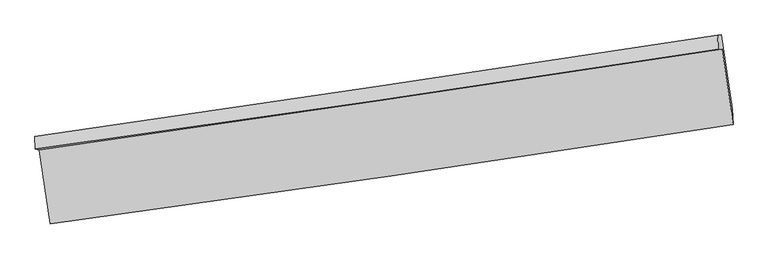
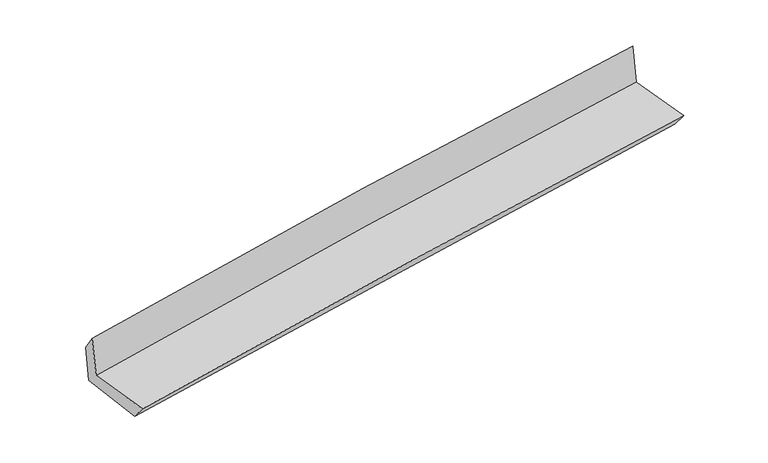
"""IFC4 building model written with IfcOpenShell, lengths in millimetres: proxy geometry."""

from ifc_helpers import new_model, si_unit, frame, origin, place, context, project, spatial, source, transform, mapped, element, save
from ifc_brep_helpers import plane_surface, spline_curve, spline_surface, advanced_brep


def generic_models_fb3d3c30(model_context):
    return source(origin(), model_context, "Body", "AdvancedBrep", [
        advanced_brep(
        [(-2991.2867884, -1932.2132482, 1639.3063321), (-2897.1533503, -2577.6766607, 1644.4644739), (3038.0748452, -1714.5801249, 2162.7349615), (2942.2302542, -1054.3935699, 2152.4117372), (-3026.9531103, -1925.6945, 2041.1005975), (2908.3392771, -1055.2430521, 2546.1531796), (-3029.1517587, -1815.664112, 1879.9253182), (2903.8236706, -933.045444, 2391.1604051), (-2998.1297599, -1814.4250843, 1518.7326442), (2936.0162943, -931.7596612, 2016.3380115), (-2902.7578364, -2447.5401277, 1488.6104632), (3032.4946816, -1575.1264067, 1990.7962848)],
        [
            (0, 1),
            (1, 2, spline_curve(3, [(-2897.1533503, -2577.6766607, 1644.4644739), (-1908.782269067, -2441.823986328, 1754.126992749), (-919.997369456, -2301.973396279, 1852.14726875), (1058.412018832, -2014.274647674, 2024.904379311), (2048.036517939, -1866.4263922, 2099.640932268), (3038.0748452, -1714.5801249, 2162.7349615)], [4, 2, 4], [0.0, 9.876162750837628, 19.752444830236826])),
            (2, 3),
            (3, 0, spline_curve(3, [(2942.2302542, -1054.3935699, 2152.4117372), (1952.01950944, -1206.552561442, 2091.843924302), (962.451400222, -1355.784121626, 2018.800900616), (-1015.387598692, -1648.390610078, 1847.765463844), (-2003.658503573, -1791.76560977, 1749.773352962), (-2991.2867884, -1932.2132482, 1639.3063321)], [4, 2, 4], [0.0, 9.876282079399198, 19.752444830236826])),
            (4, 0),
            (3, 5),
            (5, 4, spline_curve(3, [(2908.3392771, -1055.2430521, 2546.1531796), (1917.549445253, -1208.543204538, 2494.224064531), (927.543847245, -1357.731314606, 2426.17144006), (-1050.88692974, -1647.881697936, 2257.820189784), (-2039.312127445, -1788.844070318, 2157.521953623), (-3026.9531103, -1925.6945, 2041.1005975)], [4, 2, 4], [0.0, 9.876637384997537, 19.75315543714058])),
            (6, 4),
            (5, 7),
            (7, 6, spline_curve(3, [(2903.8236706, -933.045444, 2391.1604051), (1914.578265827, -1084.283106345, 2317.855731248), (925.537958675, -1233.453925224, 2238.600176807), (-1052.120512636, -1527.660097816, 2068.188337685), (-2040.738681939, -1672.695501771, 1977.032196137), (-3029.1517587, -1815.664112, 1879.9253182)], [4, 2, 4], [0.0, 9.876151017777612, 19.752182708577184])),
            (8, 6),
            (7, 9),
            (9, 8, spline_curve(3, [(2936.0162943, -931.7596612, 2016.3380115), (1947.037615957, -1082.986670576, 1939.927810846), (958.033118287, -1232.156058956, 1860.255326449), (-1020.015567291, -1526.37781699, 1694.386791597), (-2009.059753947, -1671.430236214, 1608.190820562), (-2998.1297599, -1814.4250843, 1518.7326442)], [4, 2, 4], [0.0, 9.875567868392794, 19.751016416853354])),
            (10, 8),
            (9, 11),
            (11, 10, spline_curve(3, [(3032.4946816, -1575.1264067, 1990.7962848), (2043.691032634, -1727.999482753, 1915.151991399), (1054.681842759, -1877.137581114, 1835.48074928), (-923.735668534, -2167.942064277, 1668.08537779), (-1913.143984308, -2309.60853981, 1580.361346542), (-2902.7578364, -2447.5401277, 1488.6104632)], [4, 2, 4], [0.0, 9.875544143585305, 19.750968967525026])),
            (1, 10),
            (11, 2),
        ],
        [
            spline_surface(3, 3, [[(-2991.2867884, -1932.2132482, 1639.3063321), (-2003.65850358, -1791.76560974, 1749.773352836), (-1015.387598567, -1648.390610193, 1847.765463972), (962.451400097, -1355.784121512, 2018.800900488), (1952.019509298, -1206.552561601, 2091.843924336), (2942.2302542, -1054.3935699, 2152.4117372)], [(-2959.908975721, -2147.367719041, 1641.025712725), (-1972.033092149, -2008.45173523, 1751.224566116), (-983.59085556, -1866.251538872, 1849.226065548), (994.438273047, -1575.280963531, 2020.835393404), (1984.025178772, -1426.510505147, 2094.442927003), (2974.178451178, -1274.45575489, 2155.852811966)], [(-2928.531162979, -2362.522189859, 1642.745093275), (-1940.407680653, -2225.137860698, 1752.675779322), (-951.794112565, -2084.112467628, 1850.686667187), (1026.425145984, -1794.777805627, 2022.869886382), (2016.030848312, -1646.468448724, 2097.041929672), (3006.126648222, -1494.51793991, 2159.293886734)], [(-2897.1533503, -2577.6766607, 1644.4644739), (-1908.782269221, -2441.823986188, 1754.126992602), (-919.997369558, -2301.973396307, 1852.147268763), (1058.412018934, -2014.274647645, 2024.904379298), (2048.036517787, -1866.42639227, 2099.640932339), (3038.0748452, -1714.5801249, 2162.7349615)]], [4, 4], [4, 2, 4], [0.0, 2.175187957429747], [0.0, 9.876162750837628, 19.752444830236826]),
            spline_surface(3, 3, [[(-3026.9531103, -1925.6945, 2041.1005975), (-2039.312127346, -1788.844070294, 2157.521953463), (-1050.886929664, -1647.881697904, 2257.820189766), (927.54384717, -1357.731314638, 2426.171440079), (1917.549445319, -1208.543204392, 2494.224064483), (2908.3392771, -1055.2430521, 2546.1531796)], [(-3015.064336329, -1927.86741605, 1907.16917569), (-2027.427586086, -1789.81791676, 2021.605753244), (-1039.05381931, -1648.051335363, 2121.135281175), (939.179698134, -1357.082250292, 2290.381260222), (1929.039466658, -1207.87965679, 2360.09735112), (2919.636269479, -1054.959891361, 2414.906032152)], [(-3003.175562371, -1930.04033215, 1773.23775391), (-2015.54304484, -1790.791763274, 1885.689553055), (-1027.220708921, -1648.220972734, 1984.450372563), (950.815549133, -1356.433185858, 2154.591080344), (1940.529487959, -1207.216109203, 2225.970637699), (2930.933261821, -1054.676730639, 2283.658884648)], [(-2991.2867884, -1932.2132482, 1639.3063321), (-2003.65850358, -1791.76560974, 1749.773352836), (-1015.387598567, -1648.390610193, 1847.765463972), (962.451400097, -1355.784121512, 2018.800900488), (1952.019509298, -1206.552561601, 2091.843924336), (2942.2302542, -1054.3935699, 2152.4117372)]], [4, 4], [4, 2, 4], [0.0, 1.3458875503942547], [0.0, 9.876518052143044, 19.75315543714058]),
            spline_surface(3, 3, [[(-3029.1517587, -1815.664112, 1879.9253182), (-2040.738682056, -1672.695501816, 1977.032196129), (-1052.120512707, -1527.660097885, 2068.188337527), (925.537958747, -1233.453925155, 2238.600176966), (1914.578265877, -1084.283106436, 2317.855731191), (2903.8236706, -933.045444, 2391.1604051)], [(-3028.418875896, -1852.340907997, 1933.650411307), (-2040.263163815, -1711.411691306, 2037.19544858), (-1051.709318355, -1567.733964535, 2131.398954927), (926.206588226, -1274.879721626, 2301.123931324), (1915.568659037, -1125.703139094, 2376.645175619), (2905.328872779, -973.77798004, 2442.824663264)], [(-3027.685993104, -1889.017704003, 1987.375504393), (-2039.787645587, -1750.127880805, 2097.358701011), (-1051.298124017, -1607.807831255, 2194.609572365), (926.875217691, -1316.305518167, 2363.64768572), (1916.559052159, -1167.123171733, 2435.434620055), (2906.834074921, -1014.51051606, 2494.488921436)], [(-3026.9531103, -1925.6945, 2041.1005975), (-2039.312127346, -1788.844070294, 2157.521953463), (-1050.886929664, -1647.881697904, 2257.820189766), (927.54384717, -1357.731314638, 2426.171440079), (1917.549445319, -1208.543204392, 2494.224064483), (2908.3392771, -1055.2430521, 2546.1531796)]], [4, 4], [4, 2, 4], [0.0, 0.7374092655760571], [0.0, 9.876031690799572, 19.752182708577184]),
            spline_surface(3, 3, [[(-2998.1297599, -1814.4250843, 1518.7326442), (-2009.059754055, -1671.430236172, 1608.190820439), (-1020.015567171, -1526.377816967, 1694.386791715), (958.033118168, -1232.156058979, 1860.255326331), (1947.037616053, -1082.986670502, 1939.927810787), (2936.0162943, -931.7596612, 2016.3380115)], [(-3008.470426171, -1814.838093533, 1639.130202201), (-2019.619396727, -1671.851991386, 1731.137945671), (-1030.717215671, -1526.805243935, 1818.987307009), (947.201398374, -1232.588681033, 1986.370276566), (1936.21783265, -1083.418815813, 2065.903784244), (2925.285419723, -932.188255466, 2141.278809356)], [(-3018.811092429, -1815.251102767, 1759.527760199), (-2030.179039385, -1672.273746602, 1854.085070898), (-1041.418864208, -1527.232670917, 1943.587822232), (936.369678541, -1233.021303101, 2112.48522673), (1925.39804928, -1083.850961125, 2191.879757733), (2914.554545177, -932.616849734, 2266.219607244)], [(-3029.1517587, -1815.664112, 1879.9253182), (-2040.738682056, -1672.695501816, 1977.032196129), (-1052.120512707, -1527.660097885, 2068.188337527), (925.537958747, -1233.453925155, 2238.600176966), (1914.578265877, -1084.283106436, 2317.855731191), (2903.8236706, -933.045444, 2391.1604051)]], [4, 4], [4, 2, 4], [0.0, 1.23838572833442], [0.0, 9.87544854846056, 19.751016416853354]),
            spline_surface(3, 3, [[(-2902.7578364, -2447.5401277, 1488.6104632), (-1913.143984219, -2309.608539937, 1580.36134638), (-923.735668369, -2167.942064391, 1668.085377953), (1054.681842595, -1877.137580999, 1835.480749116), (2043.691032751, -1727.999482837, 1915.151991436), (3032.4946816, -1575.1264067, 1990.7962848)], [(-2934.548477554, -2236.50177992, 1498.651190189), (-1945.115907485, -2096.882438702, 1589.637837722), (-955.828967975, -1954.087315267, 1676.852515862), (1022.465601115, -1662.143740343, 1843.738941509), (2011.473227183, -1512.99521205, 1923.410597906), (3000.335219165, -1360.670824858, 1999.31019372)], [(-2966.339118746, -2025.46343208, 1508.691917211), (-1977.087830789, -1884.156337407, 1598.914329097), (-987.922267566, -1740.232566092, 1685.619653807), (990.249359648, -1447.149899636, 1851.997133938), (1979.255421621, -1297.990941289, 1931.669204317), (2968.175756735, -1146.215243042, 2007.82410258)], [(-2998.1297599, -1814.4250843, 1518.7326442), (-2009.059754055, -1671.430236172, 1608.190820439), (-1020.015567171, -1526.377816967, 1694.386791715), (958.033118168, -1232.156058979, 1860.255326331), (1947.037616053, -1082.986670502, 1939.927810787), (2936.0162943, -931.7596612, 2016.3380115)]], [4, 4], [4, 2, 4], [0.0, 2.1357173654454638], [0.0, 9.87542482393972, 19.750968967525026]),
            spline_surface(3, 3, [[(-2897.1533503, -2577.6766607, 1644.4644739), (-1908.782269221, -2441.823986188, 1754.126992602), (-919.997369558, -2301.973396307, 1852.147268763), (1058.412018934, -2014.274647645, 2024.904379298), (2048.036517787, -1866.42639227, 2099.640932339), (3038.0748452, -1714.5801249, 2162.7349615)], [(-2899.021512329, -2534.297816359, 1592.513136988), (-1910.236174216, -2397.752170763, 1696.205110516), (-921.243469168, -2257.296285677, 1790.793305174), (1057.168626815, -1968.562292105, 1961.763169252), (2046.588022784, -1820.284089144, 2038.14461868), (3036.214790676, -1668.095552184, 2105.422069242)], [(-2900.889674371, -2490.918972041, 1540.561800112), (-1911.690079224, -2353.680355362, 1638.283228467), (-922.48956876, -2212.619175022, 1729.439341542), (1055.925234713, -1922.84993654, 1898.621959162), (2045.139527754, -1774.141785964, 1976.648305095), (3034.354736124, -1621.610979416, 2048.109177058)], [(-2902.7578364, -2447.5401277, 1488.6104632), (-1913.143984219, -2309.608539937, 1580.36134638), (-923.735668369, -2167.942064391, 1668.085377953), (1054.681842595, -1877.137580999, 1835.480749116), (2043.691032751, -1727.999482837, 1915.151991436), (3032.4946816, -1575.1264067, 1990.7962848)]], [4, 4], [4, 2, 4], [0.0, 0.7572267704089449], [0.0, 9.875702121763002, 19.75152356652203]),
            plane_surface(frame((2960.1631705, -1210.6913765, 2209.93243), z_axis=(0.9858395533998077, 0.1444539971840182, 0.08516699859703714), x_axis=(-0.08557213311506229, -0.0034177760025868526, 0.9963261157077707))),
            plane_surface(frame((-2974.2387673, -2085.5356222, 1702.0233048), z_axis=(-0.9858395533997762, -0.14445399718423177, -0.08516699859703784), x_axis=(-0.14430742057981594, 0.989501308815424, -0.007907478622370156))),
        ],
        [
            (0, [[1, 2, 3, 4]]),
            (1, [[5, -4, 6, 7]]),
            (2, [[8, -7, 9, 10]]),
            (3, [[11, -10, 12, 13]]),
            (4, [[14, -13, 15, 16]]),
            (5, [[17, -16, 18, -2]]),
            (6, [[-12, -9, -6, -3, -18, -15]]),
            (7, [[-1, -5, -8, -11, -14, -17]]),
        ],
    ),
    ])


if __name__ == "__main__":
    model = new_model("IFC4")
    model_context = context("Model", 3, world=origin())
    ifc_project = project(units=[si_unit("LENGTHUNIT", "METRE", prefix="MILLI")], contexts=[model_context])
    site = spatial("IfcSite", under=ifc_project)
    building = spatial("IfcBuilding", under=site)
    placement = place(None, origin())
    generic_models_shape = generic_models_fb3d3c30(model_context)
    element("IfcBuildingElementProxy", 1, Name="Generic Models", at=placement, inside=building, context=model_context, shape_type="MappedRepresentation", body=[
        mapped(generic_models_shape, transform((0.0, 0.0, 0.0), x_axis=(1.0, 0.0, 0.0), y_axis=(0.0, 1.0, 0.0), z_axis=(0.0, 0.0, 1.0))),
    ])
    save(model, "model.ifc")
